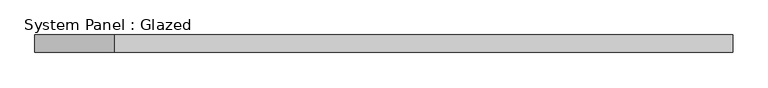
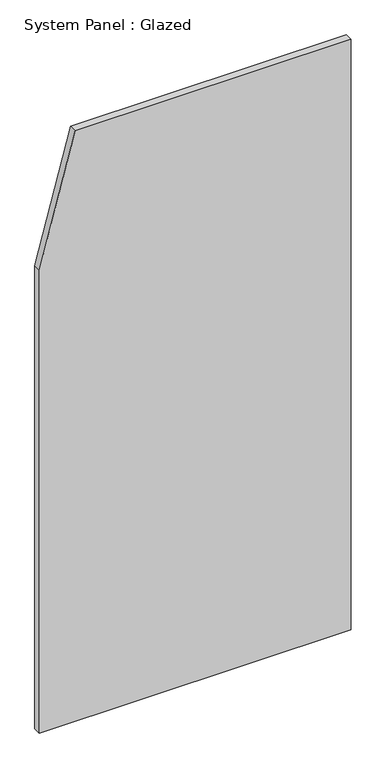
"""IFC4 building model written with IfcOpenShell, lengths in millimetres: plate geometry, System Panel : Glazed."""

from ifc_helpers import new_model, si_unit, frame, origin, place, context, project, spatial, polyline, outline, extrude, source, transform, mapped, element, save


def system_panel_glazed_f8a40fea(model_context):
    return source(origin(), model_context, "Body", "SweptSolid", [
        extrude(outline(polyline([(0.0, -500.0), (0.0, 500.0), (2000.0, 500.0), (2000.0, -385.714286), (1567.5675687, -500.0), (0.0, -500.0)])), frame((0.0, 24.5, 0.0), z_axis=(0.0, 1.0, 0.0), x_axis=(0.0, 0.0, 1.0)), (0.0, 0.0, 1.0), 25.0),
    ])


if __name__ == "__main__":
    model = new_model("IFC4")
    model_context = context("Model", 3, world=origin())
    ifc_project = project(units=[si_unit("LENGTHUNIT", "METRE", prefix="MILLI")], contexts=[model_context])
    site = spatial("IfcSite", under=ifc_project)
    building = spatial("IfcBuilding", under=site)
    placement = place(None, origin())
    system_panel_glazed_shape = system_panel_glazed_f8a40fea(model_context)
    element("IfcPlate", 1, ObjectType="System Panel : Glazed", at=placement, inside=building, context=model_context, shape_type="MappedRepresentation", body=[
        mapped(system_panel_glazed_shape, transform((0.0, 0.0, 0.0), x_axis=(1.0, 0.0, 0.0), y_axis=(0.0, 1.0, 0.0), z_axis=(0.0, 0.0, 1.0))),
    ])
    save(model, "model.ifc")
